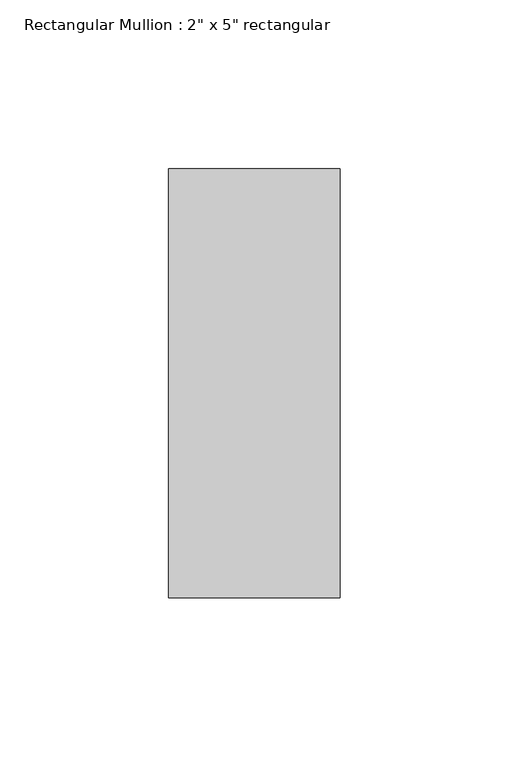
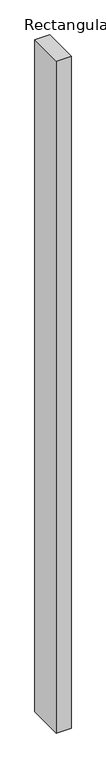
"""IFC4 building model written with IfcOpenShell, lengths in millimetres: member geometry."""

from ifc_helpers import new_model, si_unit, frame, origin, place, context, project, spatial, polyline, outline, extrude, source, transform, mapped, element, save


def member_9850455d(model_context):
    return source(origin(), model_context, "Body", "SweptSolid", [
        extrude(outline(polyline([(0.0, 63.5), (0.0, -63.5), (-50.8, -63.5), (-50.8, 63.5), (0.0, 63.5)])), frame((0.0, 0.0, -2438.4), z_axis=(0.0, 0.0, 1.0), x_axis=(1.0, 0.0, 0.0)), (0.0, 0.0, 1.0), 2438.4),
    ])


if __name__ == "__main__":
    model = new_model("IFC4")
    model_context = context("Model", 3, world=origin())
    ifc_project = project(units=[si_unit("LENGTHUNIT", "METRE", prefix="MILLI")], contexts=[model_context])
    site = spatial("IfcSite", under=ifc_project)
    building = spatial("IfcBuilding", under=site)
    placement = place(None, origin())
    member_shape = member_9850455d(model_context)
    element("IfcMember", 1, ObjectType="Rectangular Mullion : 2\" x 5\" rectangular", at=placement, inside=building, context=model_context, shape_type="MappedRepresentation", body=[
        mapped(member_shape, transform((0.0, 0.0, 0.0), x_axis=(1.0, 0.0, 0.0), y_axis=(0.0, 1.0, 0.0), z_axis=(0.0, 0.0, 1.0))),
    ])
    save(model, "model.ifc")
